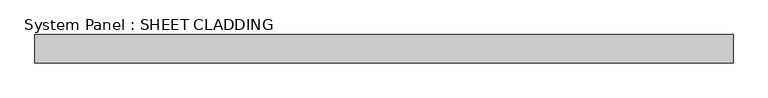
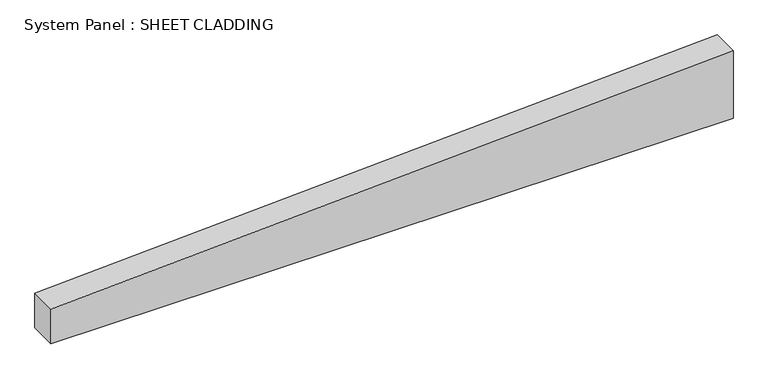
"""IFC4 building model written with IfcOpenShell, lengths in millimetres: plate geometry, System Panel : SHEET CLADDING."""

from ifc_helpers import new_model, si_unit, frame, origin, place, context, project, spatial, polyline, outline, extrude, source, transform, mapped, element, save


def system_panel_sheet_cladding_67aa8a36(model_context):
    return source(origin(), model_context, "Body", "SweptSolid", [
        extrude(outline(polyline([(0.0, -735.4591837), (0.0, 735.4591837), (153.1102041, 735.4591837), (79.5642857, -735.4591837), (0.0, -735.4591837)])), frame((0.0, -10.5, 0.0), z_axis=(0.0, 1.0, 0.0), x_axis=(0.0, 0.0, 1.0)), (0.0, 0.0, 1.0), 60.0),
    ])


if __name__ == "__main__":
    model = new_model("IFC4")
    model_context = context("Model", 3, world=origin())
    ifc_project = project(units=[si_unit("LENGTHUNIT", "METRE", prefix="MILLI")], contexts=[model_context])
    site = spatial("IfcSite", under=ifc_project)
    building = spatial("IfcBuilding", under=site)
    placement = place(None, origin())
    system_panel_sheet_cladding_shape = system_panel_sheet_cladding_67aa8a36(model_context)
    element("IfcPlate", 1, ObjectType="System Panel : SHEET CLADDING", at=placement, inside=building, context=model_context, shape_type="MappedRepresentation", body=[
        mapped(system_panel_sheet_cladding_shape, transform((0.0, 0.0, 0.0), x_axis=(1.0, 0.0, 0.0), y_axis=(0.0, 1.0, 0.0), z_axis=(0.0, 0.0, 1.0))),
    ])
    save(model, "model.ifc")
